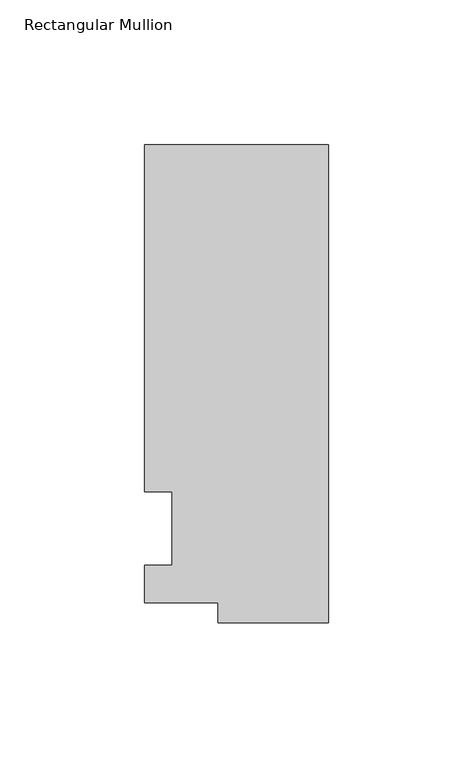
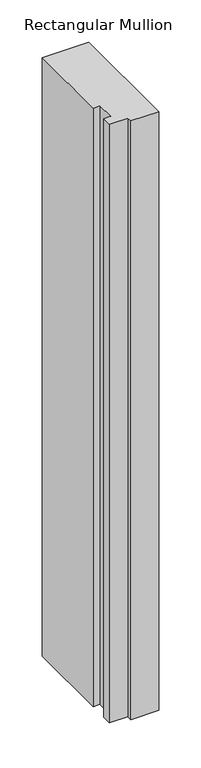
"""IFC4 building model written with IfcOpenShell, lengths in millimetres: member geometry, Rectangular Mullion."""

from ifc_helpers import new_model, si_unit, frame, origin, place, context, project, spatial, polyline, outline, extrude, source, transform, mapped, element, save


def rectangular_mullion_7d41db3e(model_context):
    return source(origin(), model_context, "Body", "SweptSolid", [
        extrude(outline(polyline([(-38.1, -32.54375), (-38.1, -25.58415), (-63.5, -25.58415), (-63.5, -12.7), (-53.975, -12.7), (-53.975, 12.7), (-63.5, 12.7), (-63.5, 132.55625), (0.0, 132.55625), (0.0, -32.54375), (-38.1, -32.54375)])), frame((0.0, 0.0, -863.6), z_axis=(0.0, 0.0, 1.0), x_axis=(1.0, 0.0, 0.0)), (0.0, 0.0, 1.0), 863.6),
    ])


if __name__ == "__main__":
    model = new_model("IFC4")
    model_context = context("Model", 3, world=origin())
    ifc_project = project(units=[si_unit("LENGTHUNIT", "METRE", prefix="MILLI")], contexts=[model_context])
    site = spatial("IfcSite", under=ifc_project)
    building = spatial("IfcBuilding", under=site)
    placement = place(None, origin())
    rectangular_mullion_shape = rectangular_mullion_7d41db3e(model_context)
    element("IfcMember", 1, ObjectType="Rectangular Mullion", at=placement, inside=building, context=model_context, shape_type="MappedRepresentation", body=[
        mapped(rectangular_mullion_shape, transform((0.0, 0.0, 0.0), x_axis=(1.0, 0.0, 0.0), y_axis=(0.0, 1.0, 0.0), z_axis=(0.0, 0.0, 1.0))),
    ])
    save(model, "model.ifc")
